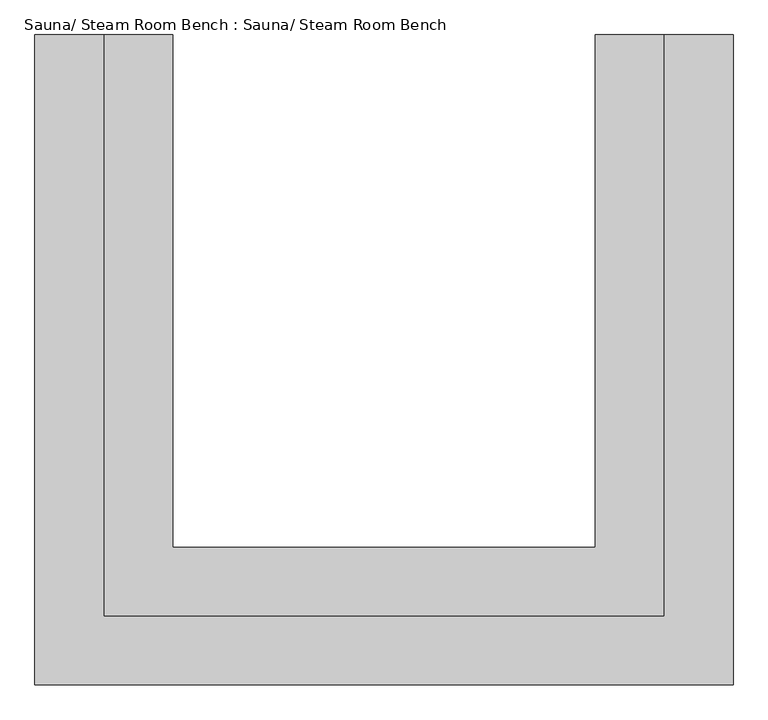
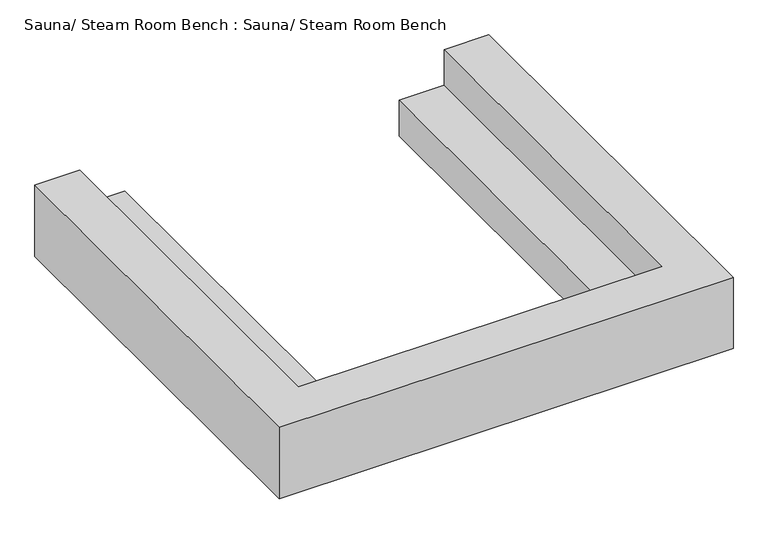
"""IFC4 building model written with IfcOpenShell, lengths in millimetres: proxy geometry, Sauna/ Steam Room Bench : Sauna/ Steam Room Bench."""

from ifc_helpers import new_model, si_unit, origin, origin_with_axes, place, context, project, spatial, polyline, outline, extrude, source, transform, mapped, element, save


def sauna_steam_room_bench_sauna_steam_room_bench_be80df9e(model_context):
    return source(origin(), model_context, "Body", "SweptSolid", [
        extrude(outline(polyline([(460329.3565432, -273557.8233948), (460329.3565432, -269487.4765979), (460811.9565432, -269487.4765979), (460811.9565432, -273075.2233948), (463767.6731144, -273075.2233948), (463767.6731144, -269487.4765979), (464250.2731144, -269487.4765979), (464250.2731144, -273557.8233948), (460329.3565432, -273557.8233948)])), origin_with_axes(), (0.0, 0.0, 1.0), 406.4),
        extrude(outline(polyline([(464250.2731144, -273557.8233948), (464250.2731144, -269487.4765979), (464732.8731144, -269487.4765979), (464732.8731144, -274040.4233948), (459846.7565432, -274040.4233948), (459846.7565432, -269487.4765979), (460329.3565432, -269487.4765979), (460329.3565432, -273557.8233948), (464250.2731144, -273557.8233948)])), origin_with_axes(), (0.0, 0.0, 1.0), 812.8),
    ])


if __name__ == "__main__":
    model = new_model("IFC4")
    model_context = context("Model", 3, world=origin())
    ifc_project = project(units=[si_unit("LENGTHUNIT", "METRE", prefix="MILLI")], contexts=[model_context])
    site = spatial("IfcSite", under=ifc_project)
    building = spatial("IfcBuilding", under=site)
    placement = place(None, origin())
    sauna_steam_room_bench_sauna_steam_room_bench_shape = sauna_steam_room_bench_sauna_steam_room_bench_be80df9e(model_context)
    element("IfcBuildingElementProxy", 1, Name="Sauna/ Steam Room Bench : Sauna/ Steam Room Bench", ObjectType="Sauna/ Steam Room Bench : Sauna/ Steam Room Bench", at=placement, inside=building, context=model_context, shape_type="MappedRepresentation", body=[
        mapped(sauna_steam_room_bench_sauna_steam_room_bench_shape, transform((0.0, 0.0, 0.0), x_axis=(1.0, 0.0, 0.0), y_axis=(0.0, 1.0, 0.0), z_axis=(0.0, 0.0, 1.0))),
    ])
    save(model, "model.ifc")
